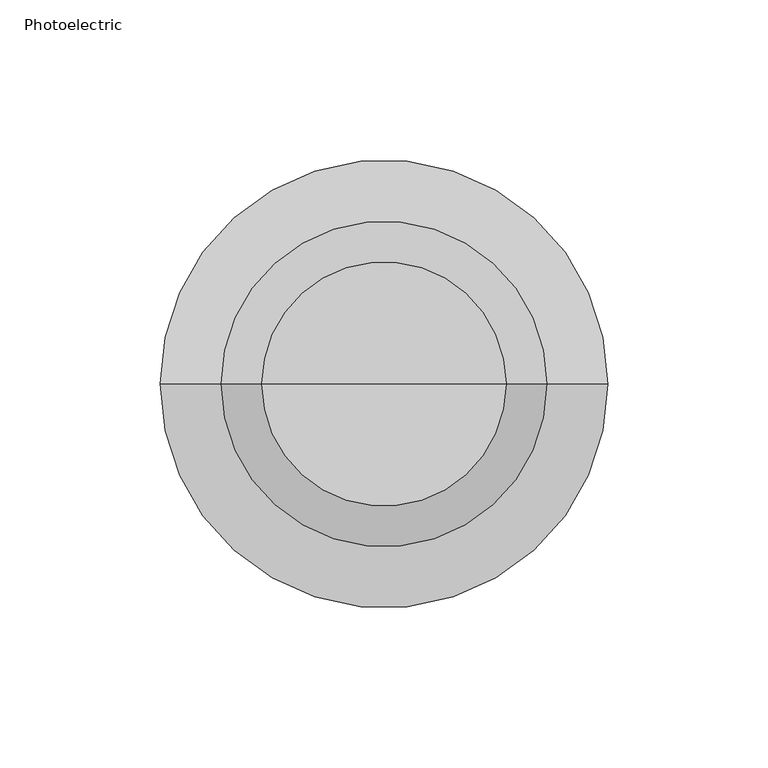
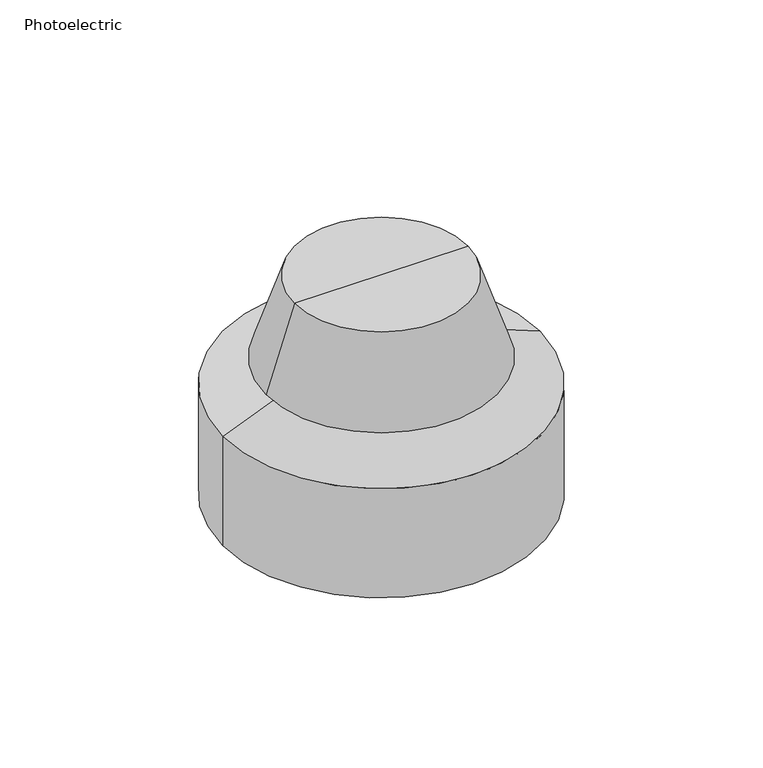
"""IFC4 building model written with IfcOpenShell, lengths in millimetres: alarm geometry, Photoelectric."""

from ifc_helpers import new_model, si_unit, frame, origin, place, context, project, spatial, polyline, circle_curve, source, transform, mapped, element, save
from ifc_brep_helpers import plane_surface, cylinder_surface, revolved_surface, advanced_brep


def photoelectric_6db7d990(model_context):
    return source(origin(), model_context, "Body", "AdvancedBrep", [
        advanced_brep(
        [(0.0, 0.0, 101.6), (38.1, 0.0, 101.6), (-38.1, 0.0, 101.6), (-69.85, 0.0, 0.0), (69.85, 0.0, 0.0), (0.0, 0.0, 0.0), (-69.85, 0.0, 50.8), (69.85, 0.0, 50.8), (-38.1, 0.0, 63.5), (38.1, 0.0, 63.5), (-50.8, 0.0, 63.5), (50.8, 0.0, 63.5)],
        [
            (0, 1),
            (1, 2, circle_curve(frame((0.0, 0.0, 101.6), z_axis=(0.0, 0.0, 1.0), x_axis=(1.0, 0.0, 0.0)), 38.1)),
            (2, 0),
            (2, 1, circle_curve(frame((0.0, 0.0, 101.6), z_axis=(0.0, 0.0, 1.0), x_axis=(1.0, 0.0, 0.0)), 38.1)),
            (3, 4, circle_curve(frame((0.0, 0.0, 0.0), z_axis=(0.0, 0.0, -1.0), x_axis=(1.0, 0.0, 0.0)), 69.85)),
            (4, 5),
            (5, 3),
            (4, 3, circle_curve(frame((0.0, 0.0, 0.0), z_axis=(0.0, 0.0, -1.0), x_axis=(1.0, 0.0, 0.0)), 69.85)),
            (6, 7, circle_curve(frame((0.0, 0.0, 50.8), z_axis=(0.0, 0.0, -1.0), x_axis=(1.0, 0.0, 0.0)), 69.85)),
            (7, 4),
            (3, 6),
            (7, 6, circle_curve(frame((0.0, 0.0, 50.8), z_axis=(0.0, 0.0, -1.0), x_axis=(1.0, 0.0, 0.0)), 69.85)),
            (8, 9, circle_curve(frame((0.0, 0.0, 63.5), z_axis=(0.0, 0.0, -1.0), x_axis=(1.0, 0.0, 0.0)), 38.1)),
            (9, 7),
            (6, 8),
            (9, 8, circle_curve(frame((0.0, 0.0, 63.5), z_axis=(0.0, 0.0, -1.0), x_axis=(1.0, 0.0, 0.0)), 38.1)),
            (10, 11, circle_curve(frame((0.0, 0.0, 63.5), z_axis=(0.0, 0.0, -1.0), x_axis=(1.0, 0.0, 0.0)), 50.8)),
            (11, 9),
            (8, 10),
            (11, 10, circle_curve(frame((0.0, 0.0, 63.5), z_axis=(0.0, 0.0, -1.0), x_axis=(1.0, 0.0, 0.0)), 50.8)),
            (1, 11),
            (10, 2),
        ],
        [
            plane_surface(frame((0.0, 0.0, 101.6), z_axis=(0.0, 0.0, 1.0), x_axis=(1.0, 0.0, 0.0))),
            plane_surface(frame((0.0, 0.0, 0.0), z_axis=(0.0, 0.0, -1.0), x_axis=(1.0, 0.0, 0.0))),
            cylinder_surface(frame((0.0, 0.0, 31.75), z_axis=(0.0, 0.0, 1.0), x_axis=(1.0, 0.0, 0.0)), 69.85),
            revolved_surface(polyline([(69.85, 0.0, 50.8), (38.1, 0.0, 63.5)]), (0.0, 0.0, 31.75), (0.0, 0.0, 1.0)),
            plane_surface(frame((0.0, 0.0, 63.5), z_axis=(0.0, 0.0, -1.0), x_axis=(1.0, 0.0, 0.0))),
            revolved_surface(polyline([(50.8, 0.0, 63.5), (38.1, 0.0, 101.6)]), (0.0, 0.0, 31.75), (0.0, 0.0, 1.0)),
        ],
        [
            (0, [[1, 2, 3]]),
            (0, [[-3, 4, -1]]),
            (1, [[5, 6, 7]]),
            (1, [[8, -7, -6]]),
            (2, [[9, 10, -5, 11]]),
            (2, [[12, -11, -8, -10]]),
            (3, [[13, 14, -9, 15]]),
            (3, [[16, -15, -12, -14]]),
            (4, [[17, 18, -13, 19]]),
            (4, [[20, -19, -16, -18]]),
            (5, [[-2, 21, -17, 22]]),
            (5, [[-4, -22, -20, -21]]),
        ],
    ),
    ])


if __name__ == "__main__":
    model = new_model("IFC4")
    model_context = context("Model", 3, world=origin())
    ifc_project = project(units=[si_unit("LENGTHUNIT", "METRE", prefix="MILLI")], contexts=[model_context])
    site = spatial("IfcSite", under=ifc_project)
    building = spatial("IfcBuilding", under=site)
    placement = place(None, origin())
    photoelectric_shape = photoelectric_6db7d990(model_context)
    element("IfcAlarm", 1, ObjectType="Photoelectric", at=placement, inside=building, context=model_context, shape_type="MappedRepresentation", body=[
        mapped(photoelectric_shape, transform((0.0, 0.0, 0.0), x_axis=(1.0, 0.0, 0.0), y_axis=(0.0, 1.0, 0.0), z_axis=(0.0, 0.0, 1.0))),
    ])
    save(model, "model.ifc")
